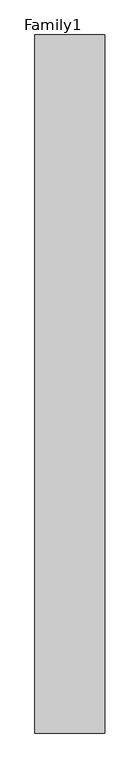
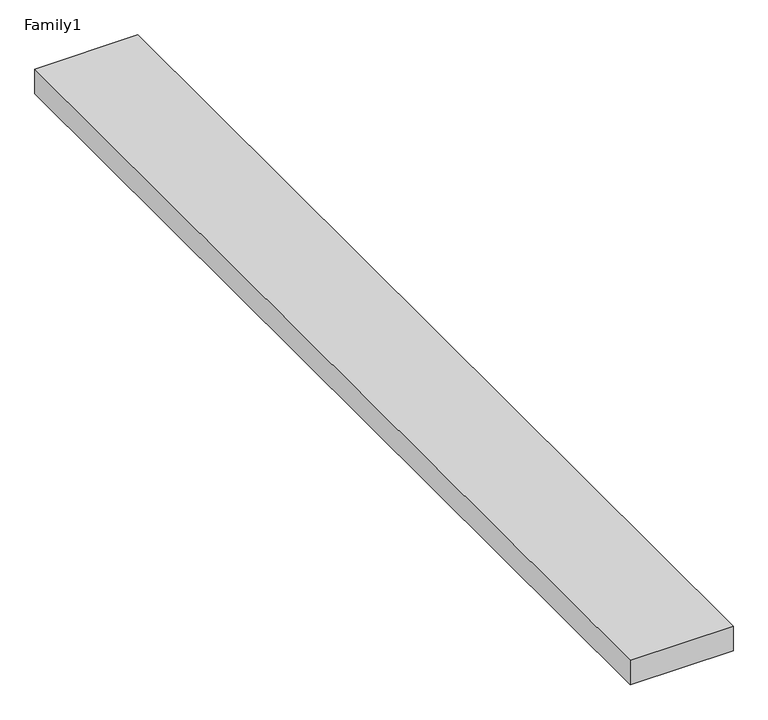
"""IFC4 building model written with IfcOpenShell, lengths in millimetres: proxy geometry, Family1."""

import ifcopenshell
import ifcopenshell.guid

model = None  # the IFC model being written
_history = None  # IfcOwnerHistory: only IFC2X3 demands one
_inside = {}  # id of a spatial element -> (the spatial element, [elements in it])
_under = {}  # id of a project, library or spatial element -> (it, [spatial elements below it])
_declared = {}  # id of a project -> (the project, [libraries it declares])
_typed = {}  # id of a type object -> (the type object, [elements of that type])
_made_of = {}  # id of a material, layer set ... -> (it, [elements and type objects made of it])


def new_model(schema):
    """Start an empty IFC model of exactly this schema.

    Asked for "IFC4X3", IfcOpenShell would pick the latest addendum, in which some entities
    have other attributes; the version numbers below select the first issue.
    IFC2X3 requires an IfcOwnerHistory on every rooted entity: one is made here for all.
    """
    global model, _history
    if schema == "IFC4X3":
        model = ifcopenshell.file(schema_version=(4, 3, 0, 0))
    else:
        model = ifcopenshell.file(schema=schema)
    _inside.clear()
    _under.clear()
    _declared.clear()
    _typed.clear()
    _made_of.clear()
    _history = None
    if model.schema == "IFC2X3":
        org = make("IfcOrganization", Name="unknown")
        user = make(
            "IfcPersonAndOrganization",
            ThePerson=make("IfcPerson", FamilyName="unknown"),
            TheOrganization=org,
        )
        app = make(
            "IfcApplication",
            ApplicationDeveloper=org,
            Version="unknown",
            ApplicationFullName="unknown",
            ApplicationIdentifier="unknown",
        )
        _history = make(
            "IfcOwnerHistory",
            OwningUser=user,
            OwningApplication=app,
            ChangeAction="ADDED",
            CreationDate=0,
        )
    return model


def make(cls, **values):
    """One entity of the class cls with the attributes given. An attribute that is None is left unset."""
    return model.create_entity(
        cls, **{name: value for name, value in values.items() if value is not None}
    )


def rooted(cls, **values):
    """An entity with a GlobalId (a new one), such as an element, a storey or a relation."""
    return make(cls, GlobalId=ifcopenshell.guid.new(), OwnerHistory=_history, **values)


def si_unit(unit_type, name, prefix=None):
    """IfcSIUnit, for example si_unit("LENGTHUNIT", "METRE", prefix="MILLI")."""
    return make("IfcSIUnit", UnitType=unit_type, Prefix=prefix, Name=name)


def assignment(units):
    """IfcUnitAssignment: the units of a project."""
    return None if units is None else make("IfcUnitAssignment", Units=units)


def point(xyz):
    """IfcCartesianPoint."""
    return None if xyz is None else make("IfcCartesianPoint", Coordinates=xyz)


def direction(xyz):
    """IfcDirection."""
    return None if xyz is None else make("IfcDirection", DirectionRatios=xyz)


def frame(location, z_axis=None, x_axis=None):
    """IfcAxis2Placement3D, a coordinate frame: its origin and axes. An axis left out is left unset."""
    return make(
        "IfcAxis2Placement3D",
        Location=point(location),
        Axis=direction(z_axis),
        RefDirection=direction(x_axis),
    )


def origin():
    """The frame at (0, 0, 0) with its axes left unset."""
    return frame((0.0, 0.0, 0.0))


def origin_with_axes():
    """The frame at (0, 0, 0) with the z axis (0, 0, 1) and the x axis (1, 0, 0) written out."""
    return frame((0.0, 0.0, 0.0), z_axis=(0.0, 0.0, 1.0), x_axis=(1.0, 0.0, 0.0))


def place(relative_to, where):
    """IfcLocalPlacement: puts the frame where relative to a parent placement (None: the world)."""
    return make(
        "IfcLocalPlacement", PlacementRelTo=relative_to, RelativePlacement=where
    )


def context(
    kind, dimensions, precision=None, world=None, true_north=None, identifier=None
):
    """IfcGeometricRepresentationContext, for example the 3D "Model" context."""
    return make(
        "IfcGeometricRepresentationContext",
        ContextIdentifier=identifier,
        ContextType=kind,
        CoordinateSpaceDimension=dimensions,
        Precision=precision,
        WorldCoordinateSystem=world,
        TrueNorth=true_north,
    )


def project(units=None, contexts=None):
    """IfcProject with its units and contexts."""
    return rooted(
        "IfcProject",
        Name="project",
        RepresentationContexts=contexts,
        UnitsInContext=assignment(units),
    )


def spatial(cls, under=None, at=None, **own):
    """A site, building, storey or space (cls), placed at a placement, below another one or the project."""
    s = rooted(cls, ObjectPlacement=at, **own)
    if under is not None:
        _under.setdefault(under.id(), (under, []))[1].append(s)
    return s


def polyline(points):
    """IfcPolyline through the points."""
    return make("IfcPolyline", Points=[point(p) for p in points])


def outline(outer, holes=None, kind="AREA"):
    """IfcArbitraryClosedProfileDef: a profile drawn as a closed curve; with holes, ...WithVoids."""
    if holes is None:
        return make("IfcArbitraryClosedProfileDef", ProfileType=kind, OuterCurve=outer)
    return make(
        "IfcArbitraryProfileDefWithVoids",
        ProfileType=kind,
        OuterCurve=outer,
        InnerCurves=holes,
    )


def extrude(swept, where, along, depth):
    """IfcExtrudedAreaSolid: the profile swept, set in the frame where, extruded along a direction by depth."""
    return make(
        "IfcExtrudedAreaSolid",
        SweptArea=swept,
        Position=where,
        ExtrudedDirection=direction(along),
        Depth=depth,
    )


def shape(context_of_items, identifier, shape_type, items):
    """IfcShapeRepresentation: the items that make up one representation, for example the "Body"."""
    return make(
        "IfcShapeRepresentation",
        ContextOfItems=context_of_items,
        RepresentationIdentifier=identifier,
        RepresentationType=shape_type,
        Items=items,
    )


def source(mapping_origin, context_of_items, identifier, shape_type, items):
    """IfcRepresentationMap: a shape defined once, which mapped items show again and again."""
    return make(
        "IfcRepresentationMap",
        MappingOrigin=mapping_origin,
        MappedRepresentation=shape(context_of_items, identifier, shape_type, items),
    )


def transform(
    local_origin,
    x_axis=None,
    y_axis=None,
    z_axis=None,
    scale=None,
    scale2=None,
    scale3=None,
    uniform=True,
):
    """IfcCartesianTransformationOperator3D, or its non-uniform kind. x_axis, y_axis, z_axis: its Axis1, 2, 3."""
    if uniform:
        return make(
            "IfcCartesianTransformationOperator3D",
            Axis1=direction(x_axis),
            Axis2=direction(y_axis),
            LocalOrigin=point(local_origin),
            Scale=scale,
            Axis3=direction(z_axis),
        )
    return make(
        "IfcCartesianTransformationOperator3DnonUniform",
        Axis1=direction(x_axis),
        Axis2=direction(y_axis),
        LocalOrigin=point(local_origin),
        Scale=scale,
        Axis3=direction(z_axis),
        Scale2=scale2,
        Scale3=scale3,
    )


def mapped(mapping_source, mapping_target):
    """IfcMappedItem: shows the shape of a source again, moved by a transform."""
    return make(
        "IfcMappedItem", MappingSource=mapping_source, MappingTarget=mapping_target
    )


def made_of(thing, what):
    """Note that an element or type object is made of a material, layer set ...; save() writes the relation."""
    if what is not None:
        _made_of.setdefault(what.id(), (what, []))[1].append(thing)
    return thing


def element(
    cls,
    number,
    at=None,
    inside=None,
    cuts=None,
    type_object=None,
    material=None,
    context=None,
    identifier="Body",
    shape_type=None,
    held_by="IfcProductDefinitionShape",
    body=None,
    shapes=None,
    **own,
):
    """One element of the class cls, such as IfcWall. Its Tag is "e" and its number.

    at: its placement. inside: the storey or other place that contains it. cuts: it is an
    opening in that element (IfcRelVoidsElement). A single representation is given by context,
    identifier, shape_type and body (its items); several are given by shapes. held_by: the class
    of the entity that holds the representations. save() writes the other relations.
    """
    e = rooted(cls, Tag="e%d" % number, ObjectPlacement=at, **own)
    if body is not None:
        shapes = [shape(context, identifier, shape_type, body)]
    if shapes is not None:
        e.Representation = make(held_by, Representations=shapes)
    if inside is not None:
        _inside.setdefault(inside.id(), (inside, []))[1].append(e)
    if cuts is not None:
        rooted(
            "IfcRelVoidsElement", RelatingBuildingElement=cuts, RelatedOpeningElement=e
        )
    if type_object is not None:
        _typed.setdefault(type_object.id(), (type_object, []))[1].append(e)
    return made_of(e, material)


def aggregate(whole, parts):
    """IfcRelAggregates: a whole, such as a stair, and the parts it consists of."""
    return rooted("IfcRelAggregates", RelatingObject=whole, RelatedObjects=parts)


def save(model, path):
    """Write the relations noted so far, then the file.

    IfcRelAggregates (storeys below a building ...), IfcRelContainedInSpatialStructure (elements
    in a storey), IfcRelDefinesByType, IfcRelAssociatesMaterial and IfcRelDeclares: one each for
    every whole, place, type object, material and project.
    """
    for whole, parts in _under.values():
        aggregate(whole, parts)
    for where, things in _inside.values():
        rooted(
            "IfcRelContainedInSpatialStructure",
            RelatedElements=things,
            RelatingStructure=where,
        )
    for kind, things in _typed.values():
        rooted("IfcRelDefinesByType", RelatedObjects=things, RelatingType=kind)
    for what, things in _made_of.values():
        rooted("IfcRelAssociatesMaterial", RelatedObjects=things, RelatingMaterial=what)
    for by, libraries in _declared.values():
        rooted("IfcRelDeclares", RelatingContext=by, RelatedDefinitions=libraries)
    model.write(path)


def family1_be445a9b(model_context):
    return source(origin(), model_context, "Body", "SweptSolid", [
        extrude(outline(polyline([(5000.0, 0.0), (0.0, 0.0), (0.0, 50000.0), (5000.0, 50000.0), (5000.0, 0.0)])), origin_with_axes(), (0.0, 0.0, 1.0), 1255.0),
    ])


if __name__ == "__main__":
    model = new_model("IFC4")
    model_context = context("Model", 3, world=origin())
    ifc_project = project(units=[si_unit("LENGTHUNIT", "METRE", prefix="MILLI")], contexts=[model_context])
    site = spatial("IfcSite", under=ifc_project)
    building = spatial("IfcBuilding", under=site)
    placement = place(None, origin())
    family1_shape = family1_be445a9b(model_context)
    element("IfcBuildingElementProxy", 1, Name="Family1", ObjectType="Family1", at=placement, inside=building, context=model_context, shape_type="MappedRepresentation", body=[
        mapped(family1_shape, transform((0.0, 0.0, 0.0), x_axis=(1.0, 0.0, 0.0), y_axis=(0.0, 1.0, 0.0), z_axis=(0.0, 0.0, 1.0))),
    ])
    save(model, "model.ifc")
